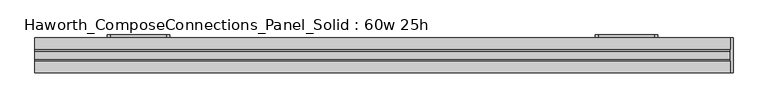
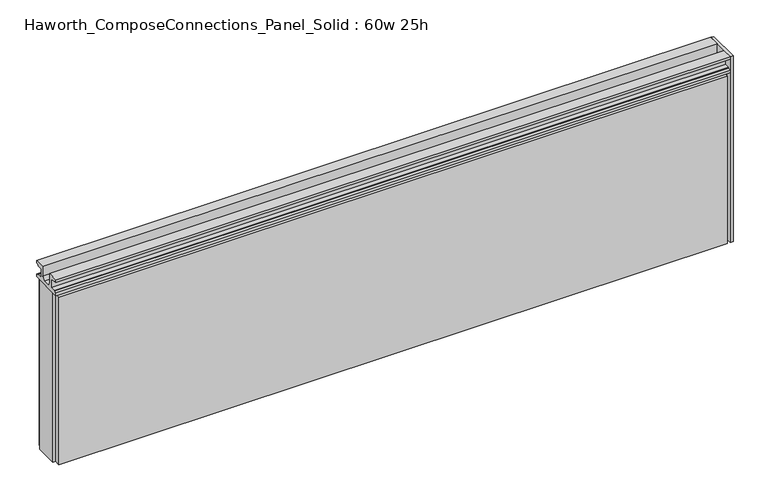
"""IFC4 building model written with IfcOpenShell, lengths in millimetres: furniture geometry, Haworth_ComposeConnections_Panel_Solid : 60w 25h."""

from ifc_helpers import new_model, si_unit, frame, origin, place, context, project, spatial, polyline, circle_curve, outline, extrude, source, transform, mapped, element, save
from ifc_brep_helpers import plane_surface, cylinder_surface, revolved_surface, advanced_brep


def haworth_composeconnections_panel_solid_60w_25h_a03c9b8f(model_context):
    return source(origin(), model_context, "Body", "SolidModel", [
        advanced_brep(
        [(-594.4597098, 38.1, 546.1), (-600.8097098, 38.1, 539.75), (-600.8097098, 38.1, 412.75), (-594.4597098, 38.1, 406.4), (-470.6347098, 38.1, 406.4), (-464.2847098, 38.1, 412.75), (-464.2847098, 38.1, 539.75), (-470.6347098, 38.1, 546.1), (-594.4597098, 44.45, 546.1), (-470.6347098, 44.45, 546.1), (-464.2847098, 44.45, 539.75), (-464.2847098, 44.45, 412.75), (-470.6347098, 44.45, 406.4), (-594.4597098, 44.45, 406.4), (-600.8097098, 44.45, 412.75), (-600.8097098, 44.45, 539.75), (-581.7597098, 44.45, 533.4), (-588.1097098, 44.45, 527.05), (-588.1097098, 44.45, 488.95), (-581.7597098, 44.45, 482.6), (-483.3347098, 44.45, 482.6), (-476.9847098, 44.45, 488.95), (-476.9847098, 44.45, 527.05), (-483.3347098, 44.45, 533.4), (-581.7597098, 44.45, 469.9), (-588.1097098, 44.45, 463.55), (-588.1097098, 44.45, 425.45), (-581.7597098, 44.45, 419.1), (-507.1472098, 44.45, 419.1), (-500.7972098, 44.45, 425.45), (-500.7972098, 44.45, 463.55), (-507.1472098, 44.45, 469.9), (-581.7597098, 41.275, 533.4), (-483.3347098, 41.275, 533.4), (-476.9847098, 41.275, 527.05), (-476.9847098, 41.275, 488.95), (-483.3347098, 41.275, 482.6), (-581.7597098, 41.275, 482.6), (-588.1097098, 41.275, 488.95), (-588.1097098, 41.275, 527.05), (-581.7597098, 41.275, 469.9), (-507.1472098, 41.275, 469.9), (-500.7972098, 41.275, 463.55), (-500.7972098, 41.275, 425.45), (-507.1472098, 41.275, 419.1), (-581.7597098, 41.275, 419.1), (-588.1097098, 41.275, 425.45), (-588.1097098, 41.275, 463.55)],
        [
            (0, 1, circle_curve(frame((-594.4597098, 38.1, 539.75), z_axis=(0.0, -1.0, 0.0), x_axis=(1.0, 0.0, 0.0)), 6.35)),
            (1, 2),
            (2, 3, circle_curve(frame((-594.4597098, 38.1, 412.75), z_axis=(0.0, -1.0, 0.0), x_axis=(1.0, 0.0, 0.0)), 6.35)),
            (3, 4),
            (4, 5, circle_curve(frame((-470.6347098, 38.1, 412.75), z_axis=(0.0, -1.0, 0.0), x_axis=(1.0, 0.0, 0.0)), 6.35)),
            (5, 6),
            (6, 7, circle_curve(frame((-470.6347098, 38.1, 539.75), z_axis=(0.0, -1.0, 0.0), x_axis=(1.0, 0.0, 0.0)), 6.35)),
            (7, 0),
            (8, 9),
            (9, 10, circle_curve(frame((-470.6347098, 44.45, 539.75), z_axis=(0.0, 1.0, 0.0), x_axis=(1.0, 0.0, 0.0)), 6.35)),
            (10, 11),
            (11, 12, circle_curve(frame((-470.6347098, 44.45, 412.75), z_axis=(0.0, 1.0, 0.0), x_axis=(1.0, 0.0, 0.0)), 6.35)),
            (12, 13),
            (13, 14, circle_curve(frame((-594.4597098, 44.45, 412.75), z_axis=(0.0, 1.0, 0.0), x_axis=(1.0, 0.0, 0.0)), 6.35)),
            (14, 15),
            (15, 8, circle_curve(frame((-594.4597098, 44.45, 539.75), z_axis=(0.0, 1.0, 0.0), x_axis=(1.0, 0.0, 0.0)), 6.35)),
            (16, 17, circle_curve(frame((-581.7597098, 44.45, 527.05), z_axis=(0.0, -1.0, 0.0), x_axis=(1.0, 0.0, 0.0)), 6.35)),
            (17, 18),
            (18, 19, circle_curve(frame((-581.7597098, 44.45, 488.95), z_axis=(0.0, -1.0, 0.0), x_axis=(1.0, 0.0, 0.0)), 6.35)),
            (19, 20),
            (20, 21, circle_curve(frame((-483.3347098, 44.45, 488.95), z_axis=(0.0, -1.0, 0.0), x_axis=(1.0, 0.0, 0.0)), 6.35)),
            (21, 22),
            (22, 23, circle_curve(frame((-483.3347098, 44.45, 527.05), z_axis=(0.0, -1.0, 0.0), x_axis=(1.0, 0.0, 0.0)), 6.35)),
            (23, 16),
            (24, 25, circle_curve(frame((-581.7597098, 44.45, 463.55), z_axis=(0.0, -1.0, 0.0), x_axis=(1.0, 0.0, 0.0)), 6.35)),
            (25, 26),
            (26, 27, circle_curve(frame((-581.7597098, 44.45, 425.45), z_axis=(0.0, -1.0, 0.0), x_axis=(1.0, 0.0, 0.0)), 6.35)),
            (27, 28),
            (28, 29, circle_curve(frame((-507.1472098, 44.45, 425.45), z_axis=(0.0, -1.0, 0.0), x_axis=(1.0, 0.0, 0.0)), 6.35)),
            (29, 30),
            (30, 31, circle_curve(frame((-507.1472098, 44.45, 463.55), z_axis=(0.0, -1.0, 0.0), x_axis=(1.0, 0.0, 0.0)), 6.35)),
            (31, 24),
            (0, 8),
            (15, 1),
            (14, 2),
            (13, 3),
            (12, 4),
            (11, 5),
            (10, 6),
            (9, 7),
            (32, 33),
            (33, 34, circle_curve(frame((-483.3347098, 41.275, 527.05), z_axis=(0.0, 1.0, 0.0), x_axis=(1.0, 0.0, 0.0)), 6.35)),
            (34, 35),
            (35, 36, circle_curve(frame((-483.3347098, 41.275, 488.95), z_axis=(0.0, 1.0, 0.0), x_axis=(1.0, 0.0, 0.0)), 6.35)),
            (36, 37),
            (37, 38, circle_curve(frame((-581.7597098, 41.275, 488.95), z_axis=(0.0, 1.0, 0.0), x_axis=(1.0, 0.0, 0.0)), 6.35)),
            (38, 39),
            (39, 32, circle_curve(frame((-581.7597098, 41.275, 527.05), z_axis=(0.0, 1.0, 0.0), x_axis=(1.0, 0.0, 0.0)), 6.35)),
            (40, 41),
            (41, 42, circle_curve(frame((-507.1472098, 41.275, 463.55), z_axis=(0.0, 1.0, 0.0), x_axis=(1.0, 0.0, 0.0)), 6.35)),
            (42, 43),
            (43, 44, circle_curve(frame((-507.1472098, 41.275, 425.45), z_axis=(0.0, 1.0, 0.0), x_axis=(1.0, 0.0, 0.0)), 6.35)),
            (44, 45),
            (45, 46, circle_curve(frame((-581.7597098, 41.275, 425.45), z_axis=(0.0, 1.0, 0.0), x_axis=(1.0, 0.0, 0.0)), 6.35)),
            (46, 47),
            (47, 40, circle_curve(frame((-581.7597098, 41.275, 463.55), z_axis=(0.0, 1.0, 0.0), x_axis=(1.0, 0.0, 0.0)), 6.35)),
            (39, 17),
            (16, 32),
            (38, 18),
            (37, 19),
            (36, 20),
            (35, 21),
            (34, 22),
            (33, 23),
            (47, 25),
            (24, 40),
            (46, 26),
            (45, 27),
            (44, 28),
            (43, 29),
            (42, 30),
            (41, 31),
        ],
        [
            plane_surface(frame((-588.1097098, 38.1, 539.75), z_axis=(0.0, -1.0, 0.0), x_axis=(0.0, 0.0, 1.0))),
            plane_surface(frame((-588.1097098, 44.45, 539.75), z_axis=(0.0, 1.0, 0.0), x_axis=(0.0, 0.0, -1.0))),
            cylinder_surface(frame((-594.4597098, 44.45, 539.75), z_axis=(0.0, -1.0, 0.0), x_axis=(1.0, 0.0, 0.0)), 6.35),
            plane_surface(frame((-600.8097098, 38.1, 539.75), z_axis=(-1.0, 0.0, 0.0), x_axis=(0.0, 1.0, 0.0))),
            cylinder_surface(frame((-594.4597098, 44.45, 412.75), z_axis=(0.0, -1.0, 0.0), x_axis=(1.0, 0.0, 0.0)), 6.35),
            plane_surface(frame((-594.4597098, 38.1, 406.4), z_axis=(0.0, 0.0, -1.0), x_axis=(0.0, 1.0, 0.0))),
            cylinder_surface(frame((-470.6347098, 44.45, 412.75), z_axis=(0.0, -1.0, 0.0), x_axis=(1.0, 0.0, 0.0)), 6.35),
            plane_surface(frame((-464.2847098, 38.1, 412.75), z_axis=(1.0, 0.0, 0.0), x_axis=(0.0, 1.0, 0.0))),
            cylinder_surface(frame((-470.6347098, 44.45, 539.75), z_axis=(0.0, -1.0, 0.0), x_axis=(1.0, 0.0, 0.0)), 6.35),
            plane_surface(frame((-470.6347098, 38.1, 546.1), z_axis=(0.0, 0.0, 1.0), x_axis=(0.0, 1.0, 0.0))),
            plane_surface(frame((-575.4097098, 41.275, 527.05), z_axis=(0.0, 1.0, 0.0), x_axis=(0.0, 0.0, 1.0))),
            revolved_surface(polyline([(-575.4097098, 41.275, 527.05), (-575.4097098, 44.45, 527.05)]), (-581.7597098, 44.45, 527.05), (0.0, -1.0, 0.0)),
            plane_surface(frame((-588.1097098, 41.275, 527.05), z_axis=(1.0, 0.0, 0.0), x_axis=(0.0, 1.0, 0.0))),
            revolved_surface(polyline([(-575.4097098, 41.275, 488.95), (-575.4097098, 44.45, 488.95)]), (-581.7597098, 44.45, 488.95), (0.0, -1.0, 0.0)),
            plane_surface(frame((-581.7597098, 41.275, 482.6), z_axis=(0.0, 0.0, 1.0), x_axis=(0.0, 1.0, 0.0))),
            revolved_surface(polyline([(-476.98470979999996, 41.275, 488.95), (-476.98470979999996, 44.45, 488.95)]), (-483.3347098, 44.45, 488.95), (0.0, -1.0, 0.0)),
            plane_surface(frame((-476.9847098, 41.275, 488.95), z_axis=(-1.0, 0.0, 0.0), x_axis=(0.0, 1.0, 0.0))),
            revolved_surface(polyline([(-476.98470979999996, 41.275, 527.05), (-476.98470979999996, 44.45, 527.05)]), (-483.3347098, 44.45, 527.05), (0.0, -1.0, 0.0)),
            plane_surface(frame((-483.3347098, 41.275, 533.4), z_axis=(0.0, 0.0, -1.0), x_axis=(0.0, 1.0, 0.0))),
            revolved_surface(polyline([(-575.4097098, 41.275, 463.55), (-575.4097098, 44.45, 463.55)]), (-581.7597098, 44.45, 463.55), (0.0, -1.0, 0.0)),
            plane_surface(frame((-588.1097098, 41.275, 463.55), z_axis=(1.0, 0.0, 0.0), x_axis=(0.0, 1.0, 0.0))),
            revolved_surface(polyline([(-575.4097098, 41.275, 425.45), (-575.4097098, 44.45, 425.45)]), (-581.7597098, 44.45, 425.45), (0.0, -1.0, 0.0)),
            plane_surface(frame((-581.7597098, 41.275, 419.1), z_axis=(0.0, 0.0, 1.0), x_axis=(0.0, 1.0, 0.0))),
            revolved_surface(polyline([(-500.79720979999996, 41.275, 425.45), (-500.79720979999996, 44.45, 425.45)]), (-507.1472098, 44.45, 425.45), (0.0, -1.0, 0.0)),
            plane_surface(frame((-500.7972098, 41.275, 425.45), z_axis=(-1.0, 0.0, 0.0), x_axis=(0.0, 1.0, 0.0))),
            revolved_surface(polyline([(-500.79720979999996, 41.275, 463.55), (-500.79720979999996, 44.45, 463.55)]), (-507.1472098, 44.45, 463.55), (0.0, -1.0, 0.0)),
            plane_surface(frame((-507.1472098, 41.275, 469.9), z_axis=(0.0, 0.0, -1.0), x_axis=(0.0, 1.0, 0.0))),
        ],
        [
            (0, [[1, 2, 3, 4, 5, 6, 7, 8]]),
            (1, [[9, 10, 11, 12, 13, 14, 15, 16], [17, 18, 19, 20, 21, 22, 23, 24], [25, 26, 27, 28, 29, 30, 31, 32]]),
            (2, [[-1, 33, -16, 34]]),
            (3, [[-2, -34, -15, 35]]),
            (4, [[-3, -35, -14, 36]]),
            (5, [[-4, -36, -13, 37]]),
            (6, [[-5, -37, -12, 38]]),
            (7, [[-6, -38, -11, 39]]),
            (8, [[-7, -39, -10, 40]]),
            (9, [[-8, -40, -9, -33]]),
            (10, [[41, 42, 43, 44, 45, 46, 47, 48]]),
            (10, [[49, 50, 51, 52, 53, 54, 55, 56]]),
            (11, [[-48, 57, -17, 58]]),
            (12, [[-47, 59, -18, -57]]),
            (13, [[-46, 60, -19, -59]]),
            (14, [[-45, 61, -20, -60]]),
            (15, [[-44, 62, -21, -61]]),
            (16, [[-43, 63, -22, -62]]),
            (17, [[-42, 64, -23, -63]]),
            (18, [[-41, -58, -24, -64]]),
            (19, [[-56, 65, -25, 66]]),
            (20, [[-55, 67, -26, -65]]),
            (21, [[-54, 68, -27, -67]]),
            (22, [[-53, 69, -28, -68]]),
            (23, [[-52, 70, -29, -69]]),
            (24, [[-51, 71, -30, -70]]),
            (25, [[-50, 72, -31, -71]]),
            (26, [[-49, -66, -32, -72]]),
        ],
    ),
        advanced_brep(
        [(475.5152902, 38.1, 546.1), (469.1652902, 38.1, 539.75), (469.1652902, 38.1, 412.75), (475.5152902, 38.1, 406.4), (599.3402902, 38.1, 406.4), (605.6902902, 38.1, 412.75), (605.6902902, 38.1, 539.75), (599.3402902, 38.1, 546.1), (475.5152902, 44.45, 546.1), (599.3402902, 44.45, 546.1), (605.6902902, 44.45, 539.75), (605.6902902, 44.45, 412.75), (599.3402902, 44.45, 406.4), (475.5152902, 44.45, 406.4), (469.1652902, 44.45, 412.75), (469.1652902, 44.45, 539.75), (488.2152902, 44.45, 533.4), (481.8652902, 44.45, 527.05), (481.8652902, 44.45, 488.95), (488.2152902, 44.45, 482.6), (586.6402902, 44.45, 482.6), (592.9902902, 44.45, 488.95), (592.9902902, 44.45, 527.05), (586.6402902, 44.45, 533.4), (488.2152902, 44.45, 469.9), (481.8652902, 44.45, 463.55), (481.8652902, 44.45, 425.45), (488.2152902, 44.45, 419.1), (562.8277902, 44.45, 419.1), (569.1777902, 44.45, 425.45), (569.1777902, 44.45, 463.55), (562.8277902, 44.45, 469.9), (488.2152902, 41.275, 533.4), (586.6402902, 41.275, 533.4), (592.9902902, 41.275, 527.05), (592.9902902, 41.275, 488.95), (586.6402902, 41.275, 482.6), (488.2152902, 41.275, 482.6), (481.8652902, 41.275, 488.95), (481.8652902, 41.275, 527.05), (488.2152902, 41.275, 469.9), (562.8277902, 41.275, 469.9), (569.1777902, 41.275, 463.55), (569.1777902, 41.275, 425.45), (562.8277902, 41.275, 419.1), (488.2152902, 41.275, 419.1), (481.8652902, 41.275, 425.45), (481.8652902, 41.275, 463.55)],
        [
            (0, 1, circle_curve(frame((475.5152902, 38.1, 539.75), z_axis=(0.0, -1.0, 0.0), x_axis=(1.0, 0.0, 0.0)), 6.35)),
            (1, 2),
            (2, 3, circle_curve(frame((475.5152902, 38.1, 412.75), z_axis=(0.0, -1.0, 0.0), x_axis=(1.0, 0.0, 0.0)), 6.35)),
            (3, 4),
            (4, 5, circle_curve(frame((599.3402902, 38.1, 412.75), z_axis=(0.0, -1.0, 0.0), x_axis=(1.0, 0.0, 0.0)), 6.35)),
            (5, 6),
            (6, 7, circle_curve(frame((599.3402902, 38.1, 539.75), z_axis=(0.0, -1.0, 0.0), x_axis=(1.0, 0.0, 0.0)), 6.35)),
            (7, 0),
            (8, 9),
            (9, 10, circle_curve(frame((599.3402902, 44.45, 539.75), z_axis=(0.0, 1.0, 0.0), x_axis=(1.0, 0.0, 0.0)), 6.35)),
            (10, 11),
            (11, 12, circle_curve(frame((599.3402902, 44.45, 412.75), z_axis=(0.0, 1.0, 0.0), x_axis=(1.0, 0.0, 0.0)), 6.35)),
            (12, 13),
            (13, 14, circle_curve(frame((475.5152902, 44.45, 412.75), z_axis=(0.0, 1.0, 0.0), x_axis=(1.0, 0.0, 0.0)), 6.35)),
            (14, 15),
            (15, 8, circle_curve(frame((475.5152902, 44.45, 539.75), z_axis=(0.0, 1.0, 0.0), x_axis=(1.0, 0.0, 0.0)), 6.35)),
            (16, 17, circle_curve(frame((488.2152902, 44.45, 527.05), z_axis=(0.0, -1.0, 0.0), x_axis=(1.0, 0.0, 0.0)), 6.35)),
            (17, 18),
            (18, 19, circle_curve(frame((488.2152902, 44.45, 488.95), z_axis=(0.0, -1.0, 0.0), x_axis=(1.0, 0.0, 0.0)), 6.35)),
            (19, 20),
            (20, 21, circle_curve(frame((586.6402902, 44.45, 488.95), z_axis=(0.0, -1.0, 0.0), x_axis=(1.0, 0.0, 0.0)), 6.35)),
            (21, 22),
            (22, 23, circle_curve(frame((586.6402902, 44.45, 527.05), z_axis=(0.0, -1.0, 0.0), x_axis=(1.0, 0.0, 0.0)), 6.35)),
            (23, 16),
            (24, 25, circle_curve(frame((488.2152902, 44.45, 463.55), z_axis=(0.0, -1.0, 0.0), x_axis=(1.0, 0.0, 0.0)), 6.35)),
            (25, 26),
            (26, 27, circle_curve(frame((488.2152902, 44.45, 425.45), z_axis=(0.0, -1.0, 0.0), x_axis=(1.0, 0.0, 0.0)), 6.35)),
            (27, 28),
            (28, 29, circle_curve(frame((562.8277902, 44.45, 425.45), z_axis=(0.0, -1.0, 0.0), x_axis=(1.0, 0.0, 0.0)), 6.35)),
            (29, 30),
            (30, 31, circle_curve(frame((562.8277902, 44.45, 463.55), z_axis=(0.0, -1.0, 0.0), x_axis=(1.0, 0.0, 0.0)), 6.35)),
            (31, 24),
            (0, 8),
            (15, 1),
            (14, 2),
            (13, 3),
            (12, 4),
            (11, 5),
            (10, 6),
            (9, 7),
            (32, 33),
            (33, 34, circle_curve(frame((586.6402902, 41.275, 527.05), z_axis=(0.0, 1.0, 0.0), x_axis=(1.0, 0.0, 0.0)), 6.35)),
            (34, 35),
            (35, 36, circle_curve(frame((586.6402902, 41.275, 488.95), z_axis=(0.0, 1.0, 0.0), x_axis=(1.0, 0.0, 0.0)), 6.35)),
            (36, 37),
            (37, 38, circle_curve(frame((488.2152902, 41.275, 488.95), z_axis=(0.0, 1.0, 0.0), x_axis=(1.0, 0.0, 0.0)), 6.35)),
            (38, 39),
            (39, 32, circle_curve(frame((488.2152902, 41.275, 527.05), z_axis=(0.0, 1.0, 0.0), x_axis=(1.0, 0.0, 0.0)), 6.35)),
            (40, 41),
            (41, 42, circle_curve(frame((562.8277902, 41.275, 463.55), z_axis=(0.0, 1.0, 0.0), x_axis=(1.0, 0.0, 0.0)), 6.35)),
            (42, 43),
            (43, 44, circle_curve(frame((562.8277902, 41.275, 425.45), z_axis=(0.0, 1.0, 0.0), x_axis=(1.0, 0.0, 0.0)), 6.35)),
            (44, 45),
            (45, 46, circle_curve(frame((488.2152902, 41.275, 425.45), z_axis=(0.0, 1.0, 0.0), x_axis=(1.0, 0.0, 0.0)), 6.35)),
            (46, 47),
            (47, 40, circle_curve(frame((488.2152902, 41.275, 463.55), z_axis=(0.0, 1.0, 0.0), x_axis=(1.0, 0.0, 0.0)), 6.35)),
            (39, 17),
            (16, 32),
            (38, 18),
            (37, 19),
            (36, 20),
            (35, 21),
            (34, 22),
            (33, 23),
            (47, 25),
            (24, 40),
            (46, 26),
            (45, 27),
            (44, 28),
            (43, 29),
            (42, 30),
            (41, 31),
        ],
        [
            plane_surface(frame((481.8652902, 38.1, 539.75), z_axis=(0.0, -1.0, 0.0), x_axis=(0.0, 0.0, 1.0))),
            plane_surface(frame((481.8652902, 44.45, 539.75), z_axis=(0.0, 1.0, 0.0), x_axis=(0.0, 0.0, -1.0))),
            cylinder_surface(frame((475.5152902, 44.45, 539.75), z_axis=(0.0, -1.0, 0.0), x_axis=(1.0, 0.0, 0.0)), 6.35),
            plane_surface(frame((469.1652902, 38.1, 539.75), z_axis=(-1.0, 0.0, 0.0), x_axis=(0.0, 1.0, 0.0))),
            cylinder_surface(frame((475.5152902, 44.45, 412.75), z_axis=(0.0, -1.0, 0.0), x_axis=(1.0, 0.0, 0.0)), 6.35),
            plane_surface(frame((475.5152902, 38.1, 406.4), z_axis=(0.0, 0.0, -1.0), x_axis=(0.0, 1.0, 0.0))),
            cylinder_surface(frame((599.3402902, 44.45, 412.75), z_axis=(0.0, -1.0, 0.0), x_axis=(1.0, 0.0, 0.0)), 6.35),
            plane_surface(frame((605.6902902, 38.1, 412.75), z_axis=(1.0, 0.0, 0.0), x_axis=(0.0, 1.0, 0.0))),
            cylinder_surface(frame((599.3402902, 44.45, 539.75), z_axis=(0.0, -1.0, 0.0), x_axis=(1.0, 0.0, 0.0)), 6.35),
            plane_surface(frame((599.3402902, 38.1, 546.1), z_axis=(0.0, 0.0, 1.0), x_axis=(0.0, 1.0, 0.0))),
            plane_surface(frame((494.5652902, 41.275, 527.05), z_axis=(0.0, 1.0, 0.0), x_axis=(0.0, 0.0, 1.0))),
            revolved_surface(polyline([(494.56529020000005, 41.275, 527.05), (494.56529020000005, 44.45, 527.05)]), (488.2152902, 44.45, 527.05), (0.0, -1.0, 0.0)),
            plane_surface(frame((481.8652902, 41.275, 527.05), z_axis=(1.0, 0.0, 0.0), x_axis=(0.0, 1.0, 0.0))),
            revolved_surface(polyline([(494.56529020000005, 41.275, 488.95), (494.56529020000005, 44.45, 488.95)]), (488.2152902, 44.45, 488.95), (0.0, -1.0, 0.0)),
            plane_surface(frame((488.2152902, 41.275, 482.6), z_axis=(0.0, 0.0, 1.0), x_axis=(0.0, 1.0, 0.0))),
            revolved_surface(polyline([(592.9902902, 41.275, 488.95), (592.9902902, 44.45, 488.95)]), (586.6402902, 44.45, 488.95), (0.0, -1.0, 0.0)),
            plane_surface(frame((592.9902902, 41.275, 488.95), z_axis=(-1.0, 0.0, 0.0), x_axis=(0.0, 1.0, 0.0))),
            revolved_surface(polyline([(592.9902902, 41.275, 527.05), (592.9902902, 44.45, 527.05)]), (586.6402902, 44.45, 527.05), (0.0, -1.0, 0.0)),
            plane_surface(frame((586.6402902, 41.275, 533.4), z_axis=(0.0, 0.0, -1.0), x_axis=(0.0, 1.0, 0.0))),
            revolved_surface(polyline([(494.56529020000005, 41.275, 463.55), (494.56529020000005, 44.45, 463.55)]), (488.2152902, 44.45, 463.55), (0.0, -1.0, 0.0)),
            plane_surface(frame((481.8652902, 41.275, 463.55), z_axis=(1.0, 0.0, 0.0), x_axis=(0.0, 1.0, 0.0))),
            revolved_surface(polyline([(494.56529020000005, 41.275, 425.45), (494.56529020000005, 44.45, 425.45)]), (488.2152902, 44.45, 425.45), (0.0, -1.0, 0.0)),
            plane_surface(frame((488.2152902, 41.275, 419.1), z_axis=(0.0, 0.0, 1.0), x_axis=(0.0, 1.0, 0.0))),
            revolved_surface(polyline([(569.1777902, 41.275, 425.45), (569.1777902, 44.45, 425.45)]), (562.8277902, 44.45, 425.45), (0.0, -1.0, 0.0)),
            plane_surface(frame((569.1777902, 41.275, 425.45), z_axis=(-1.0, 0.0, 0.0), x_axis=(0.0, 1.0, 0.0))),
            revolved_surface(polyline([(569.1777902, 41.275, 463.55), (569.1777902, 44.45, 463.55)]), (562.8277902, 44.45, 463.55), (0.0, -1.0, 0.0)),
            plane_surface(frame((562.8277902, 41.275, 469.9), z_axis=(0.0, 0.0, -1.0), x_axis=(0.0, 1.0, 0.0))),
        ],
        [
            (0, [[1, 2, 3, 4, 5, 6, 7, 8]]),
            (1, [[9, 10, 11, 12, 13, 14, 15, 16], [17, 18, 19, 20, 21, 22, 23, 24], [25, 26, 27, 28, 29, 30, 31, 32]]),
            (2, [[-1, 33, -16, 34]]),
            (3, [[-2, -34, -15, 35]]),
            (4, [[-3, -35, -14, 36]]),
            (5, [[-4, -36, -13, 37]]),
            (6, [[-5, -37, -12, 38]]),
            (7, [[-6, -38, -11, 39]]),
            (8, [[-7, -39, -10, 40]]),
            (9, [[-8, -40, -9, -33]]),
            (10, [[41, 42, 43, 44, 45, 46, 47, 48]]),
            (10, [[49, 50, 51, 52, 53, 54, 55, 56]]),
            (11, [[-48, 57, -17, 58]]),
            (12, [[-47, 59, -18, -57]]),
            (13, [[-46, 60, -19, -59]]),
            (14, [[-45, 61, -20, -60]]),
            (15, [[-44, 62, -21, -61]]),
            (16, [[-43, 63, -22, -62]]),
            (17, [[-42, 64, -23, -63]]),
            (18, [[-41, -58, -24, -64]]),
            (19, [[-56, 65, -25, 66]]),
            (20, [[-55, 67, -26, -65]]),
            (21, [[-54, 68, -27, -67]]),
            (22, [[-53, 69, -28, -68]]),
            (23, [[-52, 70, -29, -69]]),
            (24, [[-51, 71, -30, -70]]),
            (25, [[-50, 72, -31, -71]]),
            (26, [[-49, -66, -32, -72]]),
        ],
    ),
        extrude(outline(polyline([(-38.1, 673.1), (-38.1, 679.45), (-13.5001003, 679.45), (-13.5001003, 657.6828071), (-8.7648475, 647.7), (8.7648498, 647.7), (13.5001026, 657.6828071), (13.5001026, 679.45), (38.1000023, 679.45), (38.1000023, 673.1), (30.6197023, 673.1), (30.6197023, 670.8139719), (19.6977019, 670.8139719), (19.6977019, 649.9860281), (30.6197023, 649.9860281), (30.6197023, 647.7), (38.1000011, 647.7), (38.1000011, 641.35), (-38.0999989, 641.35), (-38.0999989, 647.7), (-30.6197, 647.7), (-30.6197, 649.9860281), (-19.6976996, 649.9860281), (-19.6976996, 670.8139719), (-30.6197, 670.8139719), (-30.6197, 673.1), (-38.1, 673.1)])), frame((-759.5597098, 0.0, 0.0), z_axis=(1.0, 0.0, 0.0), x_axis=(0.0, 1.0, 0.0)), (0.0, 0.0, 1.0), 1524.0),
        extrude(outline(polyline([(770.7902902, 38.1), (770.7902902, -38.1), (764.4402902, -38.1), (764.4402902, 38.1), (770.7902902, 38.1)])), frame((0.0, 0.0, 234.95), z_axis=(0.0, 0.0, 1.0), x_axis=(1.0, 0.0, 0.0)), (0.0, 0.0, 1.0), 444.5),
        extrude(outline(polyline([(764.4402902, -25.4), (-759.5597098, -25.4), (-759.5597098, 25.4), (764.4402902, 25.4), (764.4402902, -25.4)])), frame((0.0, 0.0, 234.95), z_axis=(0.0, 0.0, 1.0), x_axis=(1.0, 0.0, 0.0)), (0.0, 0.0, 1.0), 406.4),
        extrude(outline(polyline([(-753.2097098, -25.4), (758.0902902, -25.4), (758.0902902, -38.1), (-753.2097098, -38.1), (-753.2097098, -25.4)])), frame((0.0, 0.0, 234.95), z_axis=(0.0, 0.0, 1.0), x_axis=(1.0, 0.0, 0.0)), (0.0, 0.0, 1.0), 400.05),
        extrude(outline(polyline([(-753.2097098, 38.1), (758.0902902, 38.1), (758.0902902, 25.4), (-753.2097098, 25.4), (-753.2097098, 38.1)])), frame((0.0, 0.0, 234.95), z_axis=(0.0, 0.0, 1.0), x_axis=(1.0, 0.0, 0.0)), (0.0, 0.0, 1.0), 400.05),
    ])


if __name__ == "__main__":
    model = new_model("IFC4")
    model_context = context("Model", 3, world=origin())
    ifc_project = project(units=[si_unit("LENGTHUNIT", "METRE", prefix="MILLI")], contexts=[model_context])
    site = spatial("IfcSite", under=ifc_project)
    building = spatial("IfcBuilding", under=site)
    placement = place(None, origin())
    haworth_composeconnections_panel_solid_60w_25h_shape = haworth_composeconnections_panel_solid_60w_25h_a03c9b8f(model_context)
    element("IfcFurniture", 1, ObjectType="Haworth_ComposeConnections_Panel_Solid : 60w 25h", at=placement, inside=building, context=model_context, shape_type="MappedRepresentation", body=[
        mapped(haworth_composeconnections_panel_solid_60w_25h_shape, transform((0.0, 0.0, 0.0), x_axis=(1.0, 0.0, 0.0), y_axis=(0.0, 1.0, 0.0), z_axis=(0.0, 0.0, 1.0))),
    ])
    save(model, "model.ifc")
